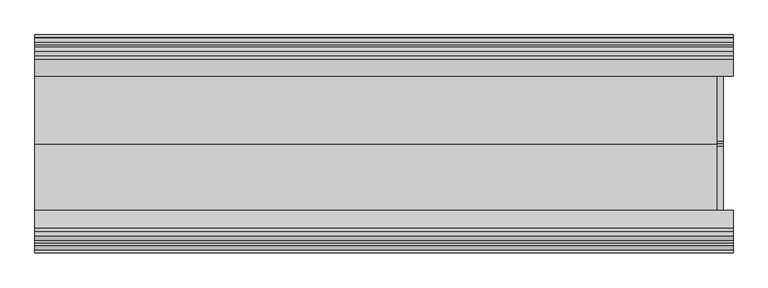
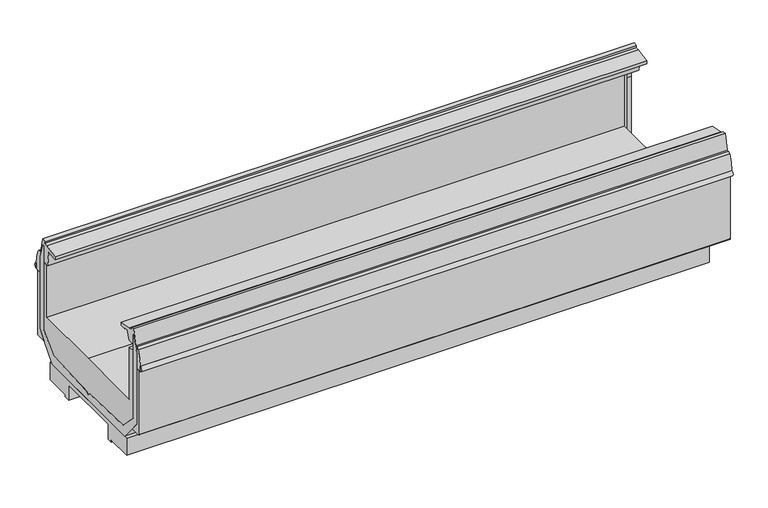
"""IFC4 building model written with IfcOpenShell, lengths in millimetres: proxy geometry."""

import ifcopenshell
import ifcopenshell.guid

model = None  # the IFC model being written
_history = None  # IfcOwnerHistory: only IFC2X3 demands one
_inside = {}  # id of a spatial element -> (the spatial element, [elements in it])
_under = {}  # id of a project, library or spatial element -> (it, [spatial elements below it])
_declared = {}  # id of a project -> (the project, [libraries it declares])
_typed = {}  # id of a type object -> (the type object, [elements of that type])
_made_of = {}  # id of a material, layer set ... -> (it, [elements and type objects made of it])


def new_model(schema):
    """Start an empty IFC model of exactly this schema.

    Asked for "IFC4X3", IfcOpenShell would pick the latest addendum, in which some entities
    have other attributes; the version numbers below select the first issue.
    IFC2X3 requires an IfcOwnerHistory on every rooted entity: one is made here for all.
    """
    global model, _history
    if schema == "IFC4X3":
        model = ifcopenshell.file(schema_version=(4, 3, 0, 0))
    else:
        model = ifcopenshell.file(schema=schema)
    _inside.clear()
    _under.clear()
    _declared.clear()
    _typed.clear()
    _made_of.clear()
    _history = None
    if model.schema == "IFC2X3":
        org = make("IfcOrganization", Name="unknown")
        user = make(
            "IfcPersonAndOrganization",
            ThePerson=make("IfcPerson", FamilyName="unknown"),
            TheOrganization=org,
        )
        app = make(
            "IfcApplication",
            ApplicationDeveloper=org,
            Version="unknown",
            ApplicationFullName="unknown",
            ApplicationIdentifier="unknown",
        )
        _history = make(
            "IfcOwnerHistory",
            OwningUser=user,
            OwningApplication=app,
            ChangeAction="ADDED",
            CreationDate=0,
        )
    return model


def make(cls, **values):
    """One entity of the class cls with the attributes given. An attribute that is None is left unset."""
    return model.create_entity(
        cls, **{name: value for name, value in values.items() if value is not None}
    )


def rooted(cls, **values):
    """An entity with a GlobalId (a new one), such as an element, a storey or a relation."""
    return make(cls, GlobalId=ifcopenshell.guid.new(), OwnerHistory=_history, **values)


def si_unit(unit_type, name, prefix=None):
    """IfcSIUnit, for example si_unit("LENGTHUNIT", "METRE", prefix="MILLI")."""
    return make("IfcSIUnit", UnitType=unit_type, Prefix=prefix, Name=name)


def assignment(units):
    """IfcUnitAssignment: the units of a project."""
    return None if units is None else make("IfcUnitAssignment", Units=units)


def point(xyz):
    """IfcCartesianPoint."""
    return None if xyz is None else make("IfcCartesianPoint", Coordinates=xyz)


def direction(xyz):
    """IfcDirection."""
    return None if xyz is None else make("IfcDirection", DirectionRatios=xyz)


def frame(location, z_axis=None, x_axis=None):
    """IfcAxis2Placement3D, a coordinate frame: its origin and axes. An axis left out is left unset."""
    return make(
        "IfcAxis2Placement3D",
        Location=point(location),
        Axis=direction(z_axis),
        RefDirection=direction(x_axis),
    )


def frame_2d(location, x_axis=None):
    """IfcAxis2Placement2D, a coordinate frame in the plane: its origin and x axis."""
    return make(
        "IfcAxis2Placement2D", Location=point(location), RefDirection=direction(x_axis)
    )


def origin():
    """The frame at (0, 0, 0) with its axes left unset."""
    return frame((0.0, 0.0, 0.0))


def origin_with_axes():
    """The frame at (0, 0, 0) with the z axis (0, 0, 1) and the x axis (1, 0, 0) written out."""
    return frame((0.0, 0.0, 0.0), z_axis=(0.0, 0.0, 1.0), x_axis=(1.0, 0.0, 0.0))


def place(relative_to, where):
    """IfcLocalPlacement: puts the frame where relative to a parent placement (None: the world)."""
    return make(
        "IfcLocalPlacement", PlacementRelTo=relative_to, RelativePlacement=where
    )


def context(
    kind, dimensions, precision=None, world=None, true_north=None, identifier=None
):
    """IfcGeometricRepresentationContext, for example the 3D "Model" context."""
    return make(
        "IfcGeometricRepresentationContext",
        ContextIdentifier=identifier,
        ContextType=kind,
        CoordinateSpaceDimension=dimensions,
        Precision=precision,
        WorldCoordinateSystem=world,
        TrueNorth=true_north,
    )


def project(units=None, contexts=None):
    """IfcProject with its units and contexts."""
    return rooted(
        "IfcProject",
        Name="project",
        RepresentationContexts=contexts,
        UnitsInContext=assignment(units),
    )


def spatial(cls, under=None, at=None, **own):
    """A site, building, storey or space (cls), placed at a placement, below another one or the project."""
    s = rooted(cls, ObjectPlacement=at, **own)
    if under is not None:
        _under.setdefault(under.id(), (under, []))[1].append(s)
    return s


def polyline(points):
    """IfcPolyline through the points."""
    return make("IfcPolyline", Points=[point(p) for p in points])


def circle_curve(where, radius):
    """IfcCircle in the frame where."""
    return make("IfcCircle", Position=where, Radius=radius)


def trimmed(basis, trim1, trim2, sense, master):
    """IfcTrimmedCurve: the piece of a basis curve between two trims."""
    return make(
        "IfcTrimmedCurve",
        BasisCurve=basis,
        Trim1=trim1,
        Trim2=trim2,
        SenseAgreement=sense,
        MasterRepresentation=master,
    )


def segment(curve, same_sense, transition):
    """IfcCompositeCurveSegment."""
    return make(
        "IfcCompositeCurveSegment",
        Transition=transition,
        SameSense=same_sense,
        ParentCurve=curve,
    )


def composite_curve(segments, self_intersect=None):
    """IfcCompositeCurve: segments joined end to end."""
    return make("IfcCompositeCurve", Segments=segments, SelfIntersect=self_intersect)


def outline(outer, holes=None, kind="AREA"):
    """IfcArbitraryClosedProfileDef: a profile drawn as a closed curve; with holes, ...WithVoids."""
    if holes is None:
        return make("IfcArbitraryClosedProfileDef", ProfileType=kind, OuterCurve=outer)
    return make(
        "IfcArbitraryProfileDefWithVoids",
        ProfileType=kind,
        OuterCurve=outer,
        InnerCurves=holes,
    )


def extrude(swept, where, along, depth):
    """IfcExtrudedAreaSolid: the profile swept, set in the frame where, extruded along a direction by depth."""
    return make(
        "IfcExtrudedAreaSolid",
        SweptArea=swept,
        Position=where,
        ExtrudedDirection=direction(along),
        Depth=depth,
    )


def shape(context_of_items, identifier, shape_type, items):
    """IfcShapeRepresentation: the items that make up one representation, for example the "Body"."""
    return make(
        "IfcShapeRepresentation",
        ContextOfItems=context_of_items,
        RepresentationIdentifier=identifier,
        RepresentationType=shape_type,
        Items=items,
    )


def source(mapping_origin, context_of_items, identifier, shape_type, items):
    """IfcRepresentationMap: a shape defined once, which mapped items show again and again."""
    return make(
        "IfcRepresentationMap",
        MappingOrigin=mapping_origin,
        MappedRepresentation=shape(context_of_items, identifier, shape_type, items),
    )


def transform(
    local_origin,
    x_axis=None,
    y_axis=None,
    z_axis=None,
    scale=None,
    scale2=None,
    scale3=None,
    uniform=True,
):
    """IfcCartesianTransformationOperator3D, or its non-uniform kind. x_axis, y_axis, z_axis: its Axis1, 2, 3."""
    if uniform:
        return make(
            "IfcCartesianTransformationOperator3D",
            Axis1=direction(x_axis),
            Axis2=direction(y_axis),
            LocalOrigin=point(local_origin),
            Scale=scale,
            Axis3=direction(z_axis),
        )
    return make(
        "IfcCartesianTransformationOperator3DnonUniform",
        Axis1=direction(x_axis),
        Axis2=direction(y_axis),
        LocalOrigin=point(local_origin),
        Scale=scale,
        Axis3=direction(z_axis),
        Scale2=scale2,
        Scale3=scale3,
    )


def mapped(mapping_source, mapping_target):
    """IfcMappedItem: shows the shape of a source again, moved by a transform."""
    return make(
        "IfcMappedItem", MappingSource=mapping_source, MappingTarget=mapping_target
    )


def made_of(thing, what):
    """Note that an element or type object is made of a material, layer set ...; save() writes the relation."""
    if what is not None:
        _made_of.setdefault(what.id(), (what, []))[1].append(thing)
    return thing


def element(
    cls,
    number,
    at=None,
    inside=None,
    cuts=None,
    type_object=None,
    material=None,
    context=None,
    identifier="Body",
    shape_type=None,
    held_by="IfcProductDefinitionShape",
    body=None,
    shapes=None,
    **own,
):
    """One element of the class cls, such as IfcWall. Its Tag is "e" and its number.

    at: its placement. inside: the storey or other place that contains it. cuts: it is an
    opening in that element (IfcRelVoidsElement). A single representation is given by context,
    identifier, shape_type and body (its items); several are given by shapes. held_by: the class
    of the entity that holds the representations. save() writes the other relations.
    """
    e = rooted(cls, Tag="e%d" % number, ObjectPlacement=at, **own)
    if body is not None:
        shapes = [shape(context, identifier, shape_type, body)]
    if shapes is not None:
        e.Representation = make(held_by, Representations=shapes)
    if inside is not None:
        _inside.setdefault(inside.id(), (inside, []))[1].append(e)
    if cuts is not None:
        rooted(
            "IfcRelVoidsElement", RelatingBuildingElement=cuts, RelatedOpeningElement=e
        )
    if type_object is not None:
        _typed.setdefault(type_object.id(), (type_object, []))[1].append(e)
    return made_of(e, material)


def aggregate(whole, parts):
    """IfcRelAggregates: a whole, such as a stair, and the parts it consists of."""
    return rooted("IfcRelAggregates", RelatingObject=whole, RelatedObjects=parts)


def save(model, path):
    """Write the relations noted so far, then the file.

    IfcRelAggregates (storeys below a building ...), IfcRelContainedInSpatialStructure (elements
    in a storey), IfcRelDefinesByType, IfcRelAssociatesMaterial and IfcRelDeclares: one each for
    every whole, place, type object, material and project.
    """
    for whole, parts in _under.values():
        aggregate(whole, parts)
    for where, things in _inside.values():
        rooted(
            "IfcRelContainedInSpatialStructure",
            RelatedElements=things,
            RelatingStructure=where,
        )
    for kind, things in _typed.values():
        rooted("IfcRelDefinesByType", RelatedObjects=things, RelatingType=kind)
    for what, things in _made_of.values():
        rooted("IfcRelAssociatesMaterial", RelatedObjects=things, RelatingMaterial=what)
    for by, libraries in _declared.values():
        rooted("IfcRelDeclares", RelatingContext=by, RelatedDefinitions=libraries)
    model.write(path)


def plane_surface(at):
    """IfcPlane: the flat surface through the origin of the frame at, square to its z axis."""
    return make("IfcPlane", Position=at)


def revolved_surface(curve, axis_point, axis_direction):
    """IfcSurfaceOfRevolution: the curve turned about the line through axis_point along axis_direction."""
    return make(
        "IfcSurfaceOfRevolution",
        SweptCurve=make("IfcArbitraryOpenProfileDef", ProfileType="CURVE", Curve=curve),
        AxisPosition=make("IfcAxis1Placement", Location=point(axis_point), Axis=direction(axis_direction)),
    )


def advanced_brep(points, edges, surfaces, faces):
    """IfcAdvancedBrep: a solid bounded by faces that lie on surfaces and meet in shared edges.

    An edge is (start, end): straight between two places in points (the first is 0);
    or (start, end, curve); or (start, end, curve, False) where it runs against its curve.
    A face is (place in surfaces, loops), or (place, loops, False) where it looks against
    its surface's normal. A loop lists edges by number (the first is 1), with a minus sign
    where the edge is run from its end to its start. The first loop is the outer one.
    """
    corners = [point(p) for p in points]
    vertices = [make("IfcVertexPoint", VertexGeometry=c) for c in corners]
    made = []
    for start, end, *more in edges:
        made.append(
            make(
                "IfcEdgeCurve",
                EdgeStart=vertices[start],
                EdgeEnd=vertices[end],
                EdgeGeometry=more[0] if more else make("IfcPolyline", Points=[corners[start], corners[end]]),
                SameSense=more[1] if len(more) > 1 else True,
            )
        )
    hull = []
    for where, loops, *sense in faces:
        bounds = []
        for j, loop in enumerate(loops):
            ring = [make("IfcOrientedEdge", EdgeElement=made[abs(k) - 1], Orientation=k > 0) for k in loop]
            bounds.append(
                make(
                    "IfcFaceOuterBound" if j == 0 else "IfcFaceBound",
                    Bound=make("IfcEdgeLoop", EdgeList=ring),
                    Orientation=True,
                )
            )
        hull.append(make("IfcAdvancedFace", Bounds=bounds, FaceSurface=surfaces[where], SameSense=sense[0] if sense else True))
    return make("IfcAdvancedBrep", Outer=make("IfcClosedShell", CfsFaces=hull))


def mechanical_equipment_9b2d91f5(model_context):
    return source(origin(), model_context, "Body", "SolidModel", [
        extrude(outline(composite_curve([segment(trimmed(circle_curve(frame_2d((1828.8, -1281.6322635)), 19.05), [point((1809.75, -1281.6322635))], [point((1847.85, -1281.6322635))], False, "CARTESIAN"), True, "CONTINUOUS"), segment(trimmed(circle_curve(frame_2d((1828.8, -1281.6322635)), 19.05), [point((1847.85, -1281.6322635))], [point((1809.75, -1281.6322635))], False, "CARTESIAN"), True, "CONTINUOUS")], self_intersect=False)), origin_with_axes(), (0.0, 0.0, 1.0), 127.0),
        extrude(outline(composite_curve([segment(trimmed(circle_curve(frame_2d((3505.2, -1164.9510135)), 11.1125), [point((3494.0875, -1164.9510135))], [point((3516.3125, -1164.9510135))], False, "CARTESIAN"), True, "CONTINUOUS"), segment(trimmed(circle_curve(frame_2d((3505.2, -1164.9510135)), 11.1125), [point((3516.3125, -1164.9510135))], [point((3494.0875, -1164.9510135))], False, "CARTESIAN"), True, "CONTINUOUS")], self_intersect=False)), origin_with_axes(), (0.0, 0.0, 1.0), 127.0),
        extrude(outline(composite_curve([segment(trimmed(circle_curve(frame_2d((3479.8, -1164.9510135)), 4.7625), [point((3475.0375, -1164.9510135))], [point((3484.5625, -1164.9510135))], False, "CARTESIAN"), True, "CONTINUOUS"), segment(trimmed(circle_curve(frame_2d((3479.8, -1164.9510135)), 4.7625), [point((3484.5625, -1164.9510135))], [point((3475.0375, -1164.9510135))], False, "CARTESIAN"), True, "CONTINUOUS")], self_intersect=False)), origin_with_axes(), (0.0, 0.0, 1.0), 127.0),
        extrude(outline(polyline([(-1408.0824708, 846.9650015), (-1399.567809, 846.9650015), (-1399.567809, 298.2301562), (-1293.5698661, 190.5), (-935.3372007, 177.5337806), (-920.5071273, 163.4842373), (-905.6770539, 177.5337806), (-547.4443885, 190.5), (-441.4464456, 298.2301562), (-441.4464456, 846.9650015), (-432.9317838, 846.9650015), (-414.7836621, 789.5616491), (-403.0848407, 752.5577332), (-403.0848407, 282.2978872), (-449.8127732, 226.1000374), (-532.2134322, 127.0), (-1308.8008224, 127.0), (-1391.2014814, 226.1000374), (-1437.9294139, 282.2978872), (-1437.9294139, 752.5577332), (-1426.2305925, 789.5616491), (-1408.0824708, 846.9650015)])), frame((0.0, 0.0, 0.0), z_axis=(1.0, 0.0, 0.0), x_axis=(0.0, 1.0, 0.0)), (0.0, 0.0, 1.0), 3605.0530658),
        advanced_brep(
        [(3605.0530658, -674.1127687, 14.2875), (3605.0530658, -511.3940187, 14.2875), (3605.0530658, -511.3940187, 127.0), (3605.0530658, -1329.6202359, 127.0), (3605.0530658, -1329.6202359, 14.2875), (3605.0530658, -1166.9014859, 14.2875), (3605.0530658, -1166.9014859, 0.0), (3605.0530658, -1131.4595591, 0.0), (3605.0530658, -1131.4595591, 97.6237021), (3605.0530658, -709.5546955, 97.6237021), (3605.0530658, -709.5546955, 0.0), (3605.0530658, -674.1127687, 0.0), (0.0, -674.1127687, 14.2875), (0.0, -674.1127687, 0.0), (0.0, -709.5546955, 0.0), (0.0, -709.5546955, 97.6237021), (0.0, -1131.4595591, 97.6237021), (0.0, -1131.4595591, 0.0), (0.0, -1166.9014859, 0.0), (0.0, -1166.9014859, 14.2875), (0.0, -1329.6202359, 14.2875), (0.0, -1329.6202359, 127.0), (0.0, -511.3940187, 127.0), (0.0, -511.3940187, 14.2875), (3524.25, -1164.9821273, 127.0), (3460.75, -1164.9821273, 127.0), (1854.2, -1281.6322635, 127.0), (1803.4, -1281.6322635, 127.0), (103.4796338, -1271.1776769, 127.0), (287.6296338, -1271.1776769, 127.0), (287.6296338, -1312.95589, 127.0), (103.4796338, -1312.95589, 127.0), (3460.8080679, -1166.9014859, 14.2875), (3524.1919321, -1166.9014859, 14.2875), (1803.4, -1281.6322635, 14.2875), (1854.2, -1281.6322635, 14.2875), (287.6296338, -1271.1776769, 14.2875), (103.4796338, -1271.1776769, 14.2875), (103.4796338, -1312.95589, 14.2875), (287.6296338, -1312.95589, 14.2875), (3524.1919321, -1166.9014859, 0.0), (3460.8080679, -1166.9014859, 0.0), (3524.25, -1164.9821273, 0.0), (3460.75, -1164.9821273, 0.0)],
        [
            (0, 1),
            (1, 2),
            (2, 3),
            (3, 4),
            (4, 5),
            (5, 6),
            (6, 7),
            (7, 8),
            (8, 9),
            (9, 10),
            (10, 11),
            (11, 0),
            (12, 13),
            (13, 14),
            (14, 15),
            (15, 16),
            (16, 17),
            (17, 18),
            (18, 19),
            (19, 20),
            (20, 21),
            (21, 22),
            (22, 23),
            (23, 12),
            (0, 12),
            (23, 1),
            (22, 2),
            (21, 3),
            (24, 25, circle_curve(frame((3492.5, -1164.9821273, 127.0), z_axis=(0.0, 0.0, -1.0), x_axis=(1.0, 0.0, 0.0)), 31.75)),
            (25, 24, circle_curve(frame((3492.5, -1164.9821273, 127.0), z_axis=(0.0, 0.0, -1.0), x_axis=(1.0, 0.0, 0.0)), 31.75)),
            (26, 27, circle_curve(frame((1828.8, -1281.6322635, 127.0), z_axis=(0.0, 0.0, -1.0), x_axis=(1.0, 0.0, 0.0)), 25.4)),
            (27, 26, circle_curve(frame((1828.8, -1281.6322635, 127.0), z_axis=(0.0, 0.0, -1.0), x_axis=(1.0, 0.0, 0.0)), 25.4)),
            (28, 29),
            (29, 30),
            (30, 31),
            (31, 28),
            (20, 4),
            (19, 32),
            (32, 33, circle_curve(frame((3492.5, -1164.9821273, 14.2875), z_axis=(0.0, 0.0, 1.0), x_axis=(1.0, 0.0, 0.0)), 31.75)),
            (33, 5),
            (34, 35, circle_curve(frame((1828.8, -1281.6322635, 14.2875), z_axis=(0.0, 0.0, 1.0), x_axis=(1.0, 0.0, 0.0)), 25.4)),
            (35, 34, circle_curve(frame((1828.8, -1281.6322635, 14.2875), z_axis=(0.0, 0.0, 1.0), x_axis=(1.0, 0.0, 0.0)), 25.4)),
            (36, 37),
            (37, 38),
            (38, 39),
            (39, 36),
            (33, 40),
            (40, 6),
            (18, 41),
            (41, 32),
            (40, 42, circle_curve(frame((3492.5, -1164.9821273, 0.0), z_axis=(0.0, 0.0, 1.0), x_axis=(1.0, 0.0, 0.0)), 31.75)),
            (42, 43, circle_curve(frame((3492.5, -1164.9821273, 0.0), z_axis=(0.0, 0.0, 1.0), x_axis=(1.0, 0.0, 0.0)), 31.75)),
            (43, 41, circle_curve(frame((3492.5, -1164.9821273, 0.0), z_axis=(0.0, 0.0, 1.0), x_axis=(1.0, 0.0, 0.0)), 31.75)),
            (17, 7),
            (16, 8),
            (15, 9),
            (14, 10),
            (13, 11),
            (24, 42),
            (43, 25),
            (34, 27),
            (26, 35),
            (36, 29),
            (28, 37),
            (31, 38),
            (30, 39),
        ],
        [
            plane_surface(frame((3605.0530658, -511.3940187, 14.2875), z_axis=(1.0, 0.0, 0.0), x_axis=(0.0, 1.0, 0.0))),
            plane_surface(frame((0.0, -511.3940187, 14.2875), z_axis=(-1.0, 0.0, 0.0), x_axis=(0.0, -1.0, 0.0))),
            plane_surface(frame((3605.0530658, -674.1127687, 14.2875), z_axis=(0.0, 0.0, -1.0), x_axis=(-1.0, 0.0, 0.0))),
            plane_surface(frame((3605.0530658, -511.3940187, 14.2875), z_axis=(0.0, 1.0, 0.0), x_axis=(-1.0, 0.0, 0.0))),
            plane_surface(frame((3605.0530658, -511.3940187, 127.0), z_axis=(0.0, 0.0, 1.0), x_axis=(-1.0, 0.0, 0.0))),
            plane_surface(frame((3605.0530658, -1329.6202359, 127.0), z_axis=(0.0, -1.0, 0.0), x_axis=(-1.0, 0.0, 0.0))),
            plane_surface(frame((3605.0530658, -1329.6202359, 14.2875), z_axis=(0.0, 0.0, -1.0), x_axis=(-1.0, 0.0, 0.0))),
            plane_surface(frame((3605.0530658, -1166.9014859, 14.2875), z_axis=(0.0, -1.0, 0.0), x_axis=(-1.0, 0.0, 0.0))),
            plane_surface(frame((3605.0530658, -1166.9014859, 0.0), z_axis=(0.0, 0.0, -1.0), x_axis=(-1.0, 0.0, 0.0))),
            plane_surface(frame((3605.0530658, -1131.4595591, 0.0), z_axis=(0.0, 1.0, 0.0), x_axis=(-1.0, 0.0, 0.0))),
            plane_surface(frame((3605.0530658, -1131.4595591, 97.6237021), z_axis=(0.0, 0.0, -1.0), x_axis=(-1.0, 0.0, 0.0))),
            plane_surface(frame((3605.0530658, -709.5546955, 97.6237021), z_axis=(0.0, -1.0, 0.0), x_axis=(-1.0, 0.0, 0.0))),
            plane_surface(frame((3605.0530658, -709.5546955, 0.0), z_axis=(0.0, 0.0, -1.0), x_axis=(-1.0, 0.0, 0.0))),
            plane_surface(frame((3605.0530658, -674.1127687, 0.0), z_axis=(0.0, 1.0, 0.0), x_axis=(-1.0, 0.0, 0.0))),
            revolved_surface(polyline([(3524.25, -1164.9821273, 127.0), (3524.25, -1164.9821273, 0.0)]), (3492.5, -1164.9821273, 0.0), (0.0, 0.0, 1.0)),
            revolved_surface(polyline([(1854.2, -1281.6322635, 127.0), (1854.2, -1281.6322635, 14.2875)]), (1828.8, -1281.6322635, 0.0), (0.0, 0.0, 1.0)),
            plane_surface(frame((287.6296338, -1271.1776769, 127.0), z_axis=(0.0, -1.0, 0.0), x_axis=(0.0, 0.0, -1.0))),
            plane_surface(frame((103.4796338, -1271.1776769, 127.0), z_axis=(1.0, 0.0, 0.0), x_axis=(0.0, 0.0, -1.0))),
            plane_surface(frame((103.4796338, -1312.95589, 127.0), z_axis=(0.0, 1.0, 0.0), x_axis=(0.0, 0.0, -1.0))),
            plane_surface(frame((287.6296338, -1312.95589, 127.0), z_axis=(-1.0, 0.0, 0.0), x_axis=(0.0, 0.0, -1.0))),
        ],
        [
            (0, [[1, 2, 3, 4, 5, 6, 7, 8, 9, 10, 11, 12]]),
            (1, [[13, 14, 15, 16, 17, 18, 19, 20, 21, 22, 23, 24]]),
            (2, [[-1, 25, -24, 26]]),
            (3, [[-2, -26, -23, 27]]),
            (4, [[-3, -27, -22, 28], [29, 30], [31, 32], [33, 34, 35, 36]]),
            (5, [[-4, -28, -21, 37]]),
            (6, [[-5, -37, -20, 38, 39, 40], [41, 42], [43, 44, 45, 46]]),
            (7, [[-6, -40, 47, 48]]),
            (7, [[-19, 49, 50, -38]]),
            (8, [[-7, -48, 51, 52, 53, -49, -18, 54]]),
            (9, [[-8, -54, -17, 55]]),
            (10, [[-9, -55, -16, 56]]),
            (11, [[-10, -56, -15, 57]]),
            (12, [[-11, -57, -14, 58]]),
            (13, [[-12, -58, -13, -25]]),
            (14, [[59, -51, -47, -39, -50, -53, 60, -29]]),
            (14, [[-59, -30, -60, -52]]),
            (15, [[61, -31, 62, -41]]),
            (15, [[-61, -42, -62, -32]]),
            (16, [[63, -33, 64, -43]]),
            (17, [[-64, -36, 65, -44]]),
            (18, [[-65, -35, 66, -45]]),
            (19, [[-63, -46, -66, -34]]),
        ],
    ),
        extrude(outline(composite_curve([segment(trimmed(circle_curve(frame_2d((-1475.2128764, 668.6836472)), 16.385947), [point((-1474.9354385, 652.3000491))], [point((-1476.5812122, 685.0123617))], False, "CARTESIAN"), True, "CONTINUOUS"), segment(polyline([(-1476.5812122, 685.0123617), (-1474.9354385, 652.3000491)]), True, "CONTINUOUS")], self_intersect=False)), frame((0.0, 0.0, 0.0), z_axis=(1.0, 0.0, 0.0), x_axis=(0.0, 1.0, 0.0)), (0.0, 0.0, 1.0), 3657.6),
        extrude(outline(composite_curve([segment(trimmed(circle_curve(frame_2d((-364.6624647, 668.6836472)), 16.385947), [point((-363.2941289, 685.0123617))], [point((-364.9399026, 652.3000491))], False, "CARTESIAN"), True, "CONTINUOUS"), segment(polyline([(-364.9399026, 652.3000491), (-363.2941289, 685.0123617)]), True, "CONTINUOUS")], self_intersect=False)), frame((0.0, 0.0, 0.0), z_axis=(1.0, 0.0, 0.0), x_axis=(0.0, 1.0, 0.0)), (0.0, 0.0, 1.0), 3657.6),
        extrude(outline(polyline([(-1359.0465206, 400.4769946), (-920.5071273, 400.4769946), (-477.6538206, 400.4769946), (-477.6538206, 740.5783627), (-441.4253902, 740.5783627), (-441.4253902, 298.2301562), (-547.4443885, 190.5), (-905.6770539, 177.5337806), (-920.5071273, 163.4842373), (-935.3372007, 177.5337806), (-1293.5698661, 190.5), (-1399.5888644, 298.2301562), (-1399.5888644, 740.5783627), (-1359.0465206, 740.5783627), (-1359.0465206, 400.4769946)])), frame((0.0, 0.0, 0.0), z_axis=(1.0, 0.0, 0.0), x_axis=(0.0, 1.0, 0.0)), (0.0, 0.0, 1.0), 3570.9241488),
        extrude(outline(polyline([(-433.0243559, 887.4125), (-411.4627088, 789.657109), (-414.8047174, 789.657109), (-432.9317838, 846.9650015), (-441.4464456, 846.9650015), (-441.4464456, 740.6738226), (-477.6538206, 740.6738226), (-483.7018711, 739.7468283), (-499.0945099, 840.1740491), (-524.2013151, 836.3258894), (-523.6195703, 832.5303734), (-565.5226642, 830.5906971), (-565.9959079, 850.4904961), (-476.7745606, 868.6687252), (-454.3862445, 868.9264651), (-456.423295, 882.2514581), (-433.0243559, 887.4125)])), frame((0.0, 0.0, 0.0), z_axis=(1.0, 0.0, 0.0), x_axis=(0.0, 1.0, 0.0)), (0.0, 0.0, 1.0), 3657.6),
        extrude(outline(polyline([(-1270.7170124, 850.4904961), (-1271.190256, 830.5906971), (-1311.2730514, 832.3547995), (-1312.9684692, 834.2711206), (-1312.9233076, 836.5465811), (-1337.2067079, 839.7624376), (-1359.0465206, 783.4062069), (-1399.5803882, 783.4062069), (-1399.5803882, 846.9650015), (-1408.0824708, 846.9650015), (-1426.2305925, 789.5616491), (-1428.4336876, 789.5616491), (-1406.7588576, 887.830185), (-1383.4262575, 882.5024341), (-1385.4960978, 868.9629523), (-1359.9383596, 868.6687252), (-1270.7170124, 850.4904961)])), frame((0.0, 0.0, 0.0), z_axis=(1.0, 0.0, 0.0), x_axis=(0.0, 1.0, 0.0)), (0.0, 0.0, 1.0), 3657.6),
        extrude(outline(composite_curve([segment(polyline([(-1459.4414385, 650.7252491), (-1473.3606385, 650.7252491), (-1474.9354385, 652.3000491), (-1476.5812122, 685.0123617)]), True, "CONTINUOUS"), segment(trimmed(circle_curve(frame_2d((-1222.8280036, 673.8182058)), 254.0), [point((-1476.5812122, 685.0123617))], [point((-1453.4101777, 780.3445453))], False, "CARTESIAN"), True, "CONTINUOUS"), segment(trimmed(circle_curve(frame_2d((-1438.9987918, 773.6866491)), 15.875), [point((-1453.4101777, 780.3445453))], [point((-1438.9987918, 789.5616491))], False, "CARTESIAN"), True, "CONTINUOUS"), segment(polyline([(-1438.9987918, 789.5616491), (-1426.2305925, 789.5616491), (-1437.9162448, 752.5993877), (-1437.9294139, 650.7252491), (-1459.4414385, 650.7252491)]), True, "CONTINUOUS")], self_intersect=False)), frame((0.0, 0.0, 0.0), z_axis=(1.0, 0.0, 0.0), x_axis=(0.0, 1.0, 0.0)), (0.0, 0.0, 1.0), 3657.6),
        extrude(outline(composite_curve([segment(polyline([(-380.4470717, 650.7252491), (-403.0980098, 650.7252491), (-403.0980098, 752.5993877), (-414.7836621, 789.5616491), (-400.8765493, 789.5616491)]), True, "CONTINUOUS"), segment(trimmed(circle_curve(frame_2d((-400.8765493, 773.6866491)), 15.875), [point((-400.8765493, 789.5616491))], [point((-386.4651634, 780.3445453))], False, "CARTESIAN"), True, "CONTINUOUS"), segment(trimmed(circle_curve(frame_2d((-617.0473375, 673.8182058)), 254.0), [point((-386.4651634, 780.3445453))], [point((-363.2941289, 685.0123617))], False, "CARTESIAN"), True, "CONTINUOUS"), segment(polyline([(-363.2941289, 685.0123617), (-364.9530717, 652.3000491), (-366.5278717, 650.7252491), (-380.4470717, 650.7252491)]), True, "CONTINUOUS")], self_intersect=False)), frame((0.0, 0.0, 0.0), z_axis=(1.0, 0.0, 0.0), x_axis=(0.0, 1.0, 0.0)), (0.0, 0.0, 1.0), 3657.6),
        extrude(outline(composite_curve([segment(polyline([(-1437.9294139, 282.2978872), (-1391.2014814, 226.1000374), (-1457.0601885, 226.1000374)]), True, "CONTINUOUS"), segment(trimmed(circle_curve(frame_2d((-1457.0601885, 228.4812874)), 2.38125), [point((-1457.0601885, 226.1000374))], [point((-1459.4414385, 228.4812874))], False, "CARTESIAN"), True, "CONTINUOUS"), segment(polyline([(-1459.4414385, 228.4812874), (-1459.4414385, 650.7252491), (-1437.9294139, 650.7252491), (-1437.9294139, 282.2978872)]), True, "CONTINUOUS")], self_intersect=False)), frame((0.0, 0.0, 0.0), z_axis=(1.0, 0.0, 0.0), x_axis=(0.0, 1.0, 0.0)), (0.0, 0.0, 1.0), 3657.6),
        extrude(outline(composite_curve([segment(polyline([(-403.0848407, 282.2978872), (-403.0848407, 650.7252491), (-380.4339026, 650.7252491), (-380.4339026, 228.4812874)]), True, "CONTINUOUS"), segment(trimmed(circle_curve(frame_2d((-382.8151526, 228.4812874)), 2.38125), [point((-380.4339026, 228.4812874))], [point((-382.8151526, 226.1000374))], False, "CARTESIAN"), True, "CONTINUOUS"), segment(polyline([(-382.8151526, 226.1000374), (-449.8127732, 226.1000374), (-403.0848407, 282.2978872)]), True, "CONTINUOUS")], self_intersect=False)), frame((0.0, 0.0, 0.0), z_axis=(1.0, 0.0, 0.0), x_axis=(0.0, 1.0, 0.0)), (0.0, 0.0, 1.0), 3657.6),
    ])


if __name__ == "__main__":
    model = new_model("IFC4")
    model_context = context("Model", 3, world=origin())
    ifc_project = project(units=[si_unit("LENGTHUNIT", "METRE", prefix="MILLI")], contexts=[model_context])
    site = spatial("IfcSite", under=ifc_project)
    building = spatial("IfcBuilding", under=site)
    placement = place(None, origin())
    mechanical_equipment_shape = mechanical_equipment_9b2d91f5(model_context)
    element("IfcBuildingElementProxy", 1, Name="Mechanical Equipment", at=placement, inside=building, context=model_context, shape_type="MappedRepresentation", body=[
        mapped(mechanical_equipment_shape, transform((0.0, 0.0, 0.0), x_axis=(1.0, 0.0, 0.0), y_axis=(0.0, 1.0, 0.0), z_axis=(0.0, 0.0, 1.0))),
    ])
    save(model, "model.ifc")
